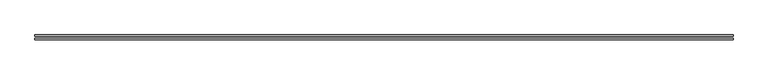
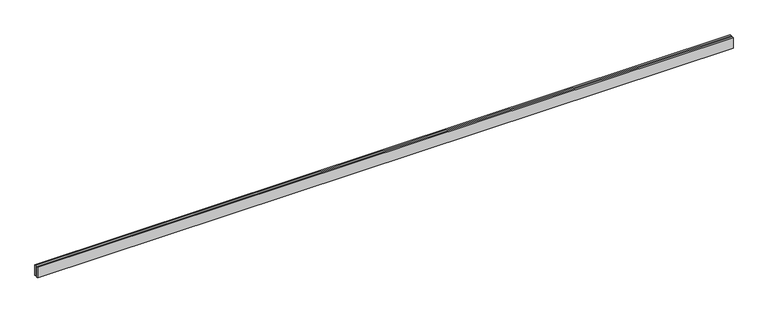
"""IFC4 building model written with IfcOpenShell, lengths in millimetres: proxy geometry."""

from ifc_helpers import new_model, si_unit, origin, origin_with_axes, place, context, project, spatial, polyline, outline, extrude, source, transform, mapped, element, save


def generic_models_87b1f9ce(model_context):
    return source(origin(), model_context, "Body", "SweptSolid", [
        extrude(outline(polyline([(15813.2034356, -25.0), (15813.2034356, -55.0), (0.0, -55.0), (0.0, -25.0), (15813.2034356, -25.0)])), origin_with_axes(), (0.0, 0.0, 1.0), 250.0),
        extrude(outline(polyline([(15813.2034356, 55.0), (15813.2034356, 25.0), (0.0, 25.0), (0.0, 55.0), (15813.2034356, 55.0)])), origin_with_axes(), (0.0, 0.0, 1.0), 250.0),
    ])


if __name__ == "__main__":
    model = new_model("IFC4")
    model_context = context("Model", 3, world=origin())
    ifc_project = project(units=[si_unit("LENGTHUNIT", "METRE", prefix="MILLI")], contexts=[model_context])
    site = spatial("IfcSite", under=ifc_project)
    building = spatial("IfcBuilding", under=site)
    placement = place(None, origin())
    generic_models_shape = generic_models_87b1f9ce(model_context)
    element("IfcBuildingElementProxy", 1, Name="Generic Models", at=placement, inside=building, context=model_context, shape_type="MappedRepresentation", body=[
        mapped(generic_models_shape, transform((0.0, 0.0, 0.0), x_axis=(1.0, 0.0, 0.0), y_axis=(0.0, 1.0, 0.0), z_axis=(0.0, 0.0, 1.0))),
    ])
    save(model, "model.ifc")
